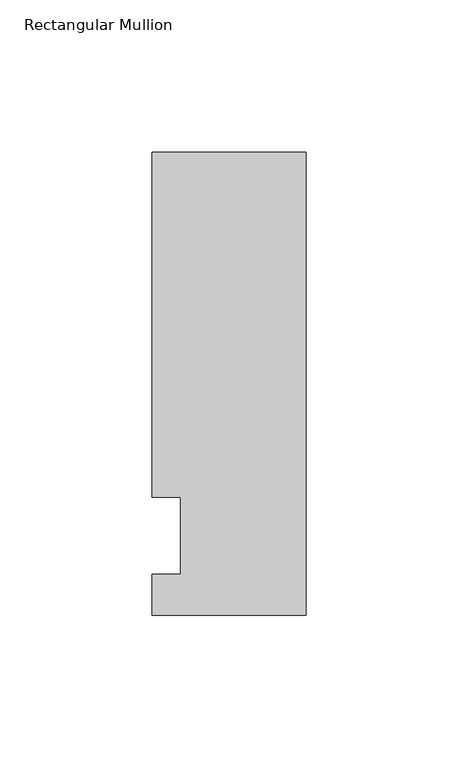
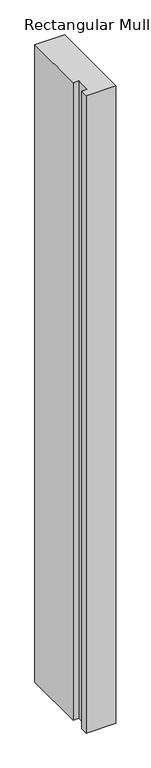
"""IFC4 building model written with IfcOpenShell, lengths in millimetres: member geometry, Rectangular Mullion."""

from ifc_helpers import new_model, si_unit, frame, origin, place, context, project, spatial, polyline, outline, extrude, source, transform, mapped, element, save


def rectangular_mullion_8dc0bf77(model_context):
    return source(origin(), model_context, "Body", "SweptSolid", [
        extrude(outline(polyline([(0.0, -26.19375), (-50.8, -26.19375), (-50.8, -12.7), (-41.275, -12.7), (-41.275, 12.7), (-50.8, 12.7), (-50.8, 126.20625), (0.0, 126.20625), (0.0, -26.19375)])), frame((0.0, 0.0, -1155.6923531), z_axis=(0.0, 0.0, 1.0), x_axis=(1.0, 0.0, 0.0)), (0.0, 0.0, 1.0), 1155.6923531),
    ])


if __name__ == "__main__":
    model = new_model("IFC4")
    model_context = context("Model", 3, world=origin())
    ifc_project = project(units=[si_unit("LENGTHUNIT", "METRE", prefix="MILLI")], contexts=[model_context])
    site = spatial("IfcSite", under=ifc_project)
    building = spatial("IfcBuilding", under=site)
    placement = place(None, origin())
    rectangular_mullion_shape = rectangular_mullion_8dc0bf77(model_context)
    element("IfcMember", 1, ObjectType="Rectangular Mullion", at=placement, inside=building, context=model_context, shape_type="MappedRepresentation", body=[
        mapped(rectangular_mullion_shape, transform((0.0, 0.0, 0.0), x_axis=(1.0, 0.0, 0.0), y_axis=(0.0, 1.0, 0.0), z_axis=(0.0, 0.0, 1.0))),
    ])
    save(model, "model.ifc")
